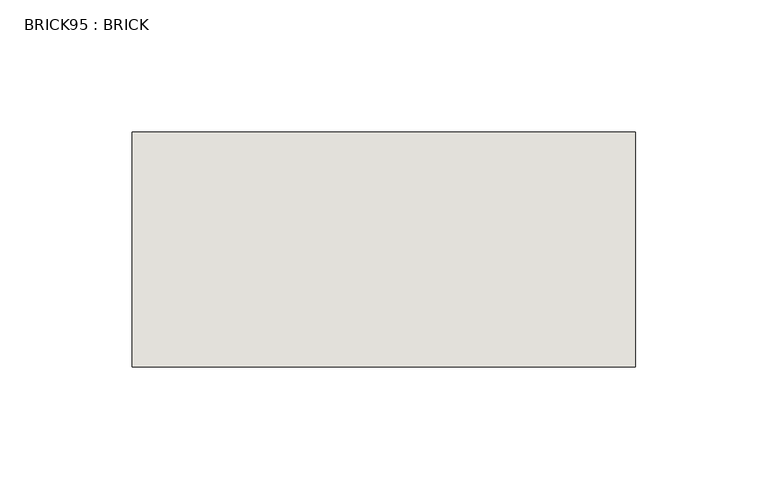
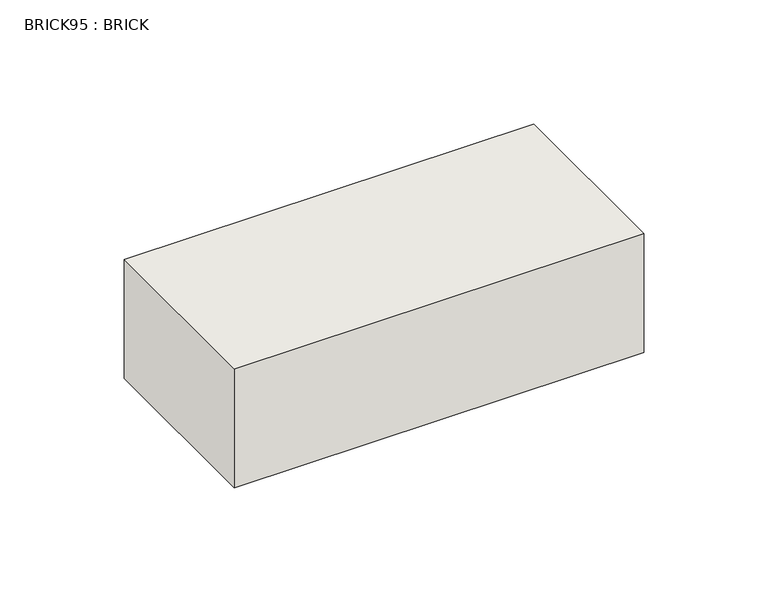
"""IFC4 building model written with IfcOpenShell, lengths in millimetres: wall geometry, BRICK95 : BRICK."""

from ifc_helpers import new_model, si_unit, frame, origin, place, context, project, spatial, polyline, outline, extrude, source, transform, mapped, element, save


def brick95_brick_8961722f(model_context):
    return source(origin(), model_context, "Body", "SweptSolid", [
        extrude(outline(polyline([(1341.7272594, 2586.2274125), (1532.2272594, 2586.2274125), (1532.2272594, 2497.3274125), (1341.7272594, 2497.3274125), (1341.7272594, 2586.2274125)])), frame((0.0, 0.0, 423.2671875), z_axis=(0.0, 0.0, 1.0), x_axis=(1.0, 0.0, 0.0)), (0.0, 0.0, 1.0), 58.4398438),
    ])


if __name__ == "__main__":
    model = new_model("IFC4")
    model_context = context("Model", 3, world=origin())
    ifc_project = project(units=[si_unit("LENGTHUNIT", "METRE", prefix="MILLI")], contexts=[model_context])
    site = spatial("IfcSite", under=ifc_project)
    building = spatial("IfcBuilding", under=site)
    placement = place(None, origin())
    brick95_brick_shape = brick95_brick_8961722f(model_context)
    element("IfcWall", 1, ObjectType="BRICK95 : BRICK", at=placement, inside=building, context=model_context, shape_type="MappedRepresentation", body=[
        mapped(brick95_brick_shape, transform((0.0, 0.0, 0.0), x_axis=(1.0, 0.0, 0.0), y_axis=(0.0, 1.0, 0.0), z_axis=(0.0, 0.0, 1.0))),
    ])
    save(model, "model.ifc")
